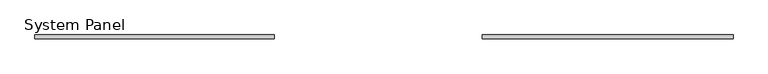
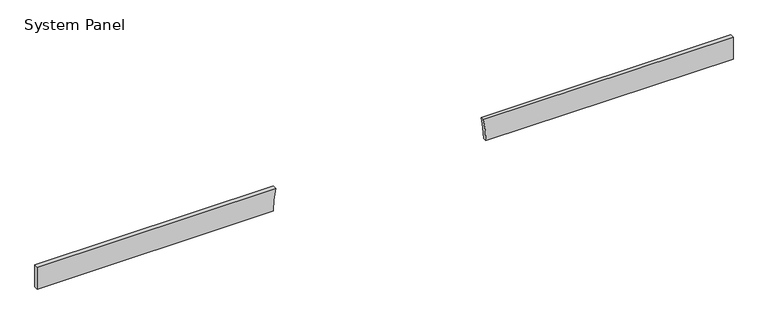
"""IFC4 building model written with IfcOpenShell, lengths in millimetres: plate geometry, System Panel."""

import ifcopenshell
import ifcopenshell.guid

model = None  # the IFC model being written
_history = None  # IfcOwnerHistory: only IFC2X3 demands one
_inside = {}  # id of a spatial element -> (the spatial element, [elements in it])
_under = {}  # id of a project, library or spatial element -> (it, [spatial elements below it])
_declared = {}  # id of a project -> (the project, [libraries it declares])
_typed = {}  # id of a type object -> (the type object, [elements of that type])
_made_of = {}  # id of a material, layer set ... -> (it, [elements and type objects made of it])


def new_model(schema):
    """Start an empty IFC model of exactly this schema.

    Asked for "IFC4X3", IfcOpenShell would pick the latest addendum, in which some entities
    have other attributes; the version numbers below select the first issue.
    IFC2X3 requires an IfcOwnerHistory on every rooted entity: one is made here for all.
    """
    global model, _history
    if schema == "IFC4X3":
        model = ifcopenshell.file(schema_version=(4, 3, 0, 0))
    else:
        model = ifcopenshell.file(schema=schema)
    _inside.clear()
    _under.clear()
    _declared.clear()
    _typed.clear()
    _made_of.clear()
    _history = None
    if model.schema == "IFC2X3":
        org = make("IfcOrganization", Name="unknown")
        user = make(
            "IfcPersonAndOrganization",
            ThePerson=make("IfcPerson", FamilyName="unknown"),
            TheOrganization=org,
        )
        app = make(
            "IfcApplication",
            ApplicationDeveloper=org,
            Version="unknown",
            ApplicationFullName="unknown",
            ApplicationIdentifier="unknown",
        )
        _history = make(
            "IfcOwnerHistory",
            OwningUser=user,
            OwningApplication=app,
            ChangeAction="ADDED",
            CreationDate=0,
        )
    return model


def make(cls, **values):
    """One entity of the class cls with the attributes given. An attribute that is None is left unset."""
    return model.create_entity(
        cls, **{name: value for name, value in values.items() if value is not None}
    )


def rooted(cls, **values):
    """An entity with a GlobalId (a new one), such as an element, a storey or a relation."""
    return make(cls, GlobalId=ifcopenshell.guid.new(), OwnerHistory=_history, **values)


def si_unit(unit_type, name, prefix=None):
    """IfcSIUnit, for example si_unit("LENGTHUNIT", "METRE", prefix="MILLI")."""
    return make("IfcSIUnit", UnitType=unit_type, Prefix=prefix, Name=name)


def assignment(units):
    """IfcUnitAssignment: the units of a project."""
    return None if units is None else make("IfcUnitAssignment", Units=units)


def point(xyz):
    """IfcCartesianPoint."""
    return None if xyz is None else make("IfcCartesianPoint", Coordinates=xyz)


def direction(xyz):
    """IfcDirection."""
    return None if xyz is None else make("IfcDirection", DirectionRatios=xyz)


def frame(location, z_axis=None, x_axis=None):
    """IfcAxis2Placement3D, a coordinate frame: its origin and axes. An axis left out is left unset."""
    return make(
        "IfcAxis2Placement3D",
        Location=point(location),
        Axis=direction(z_axis),
        RefDirection=direction(x_axis),
    )


def frame_2d(location, x_axis=None):
    """IfcAxis2Placement2D, a coordinate frame in the plane: its origin and x axis."""
    return make(
        "IfcAxis2Placement2D", Location=point(location), RefDirection=direction(x_axis)
    )


def origin():
    """The frame at (0, 0, 0) with its axes left unset."""
    return frame((0.0, 0.0, 0.0))


def place(relative_to, where):
    """IfcLocalPlacement: puts the frame where relative to a parent placement (None: the world)."""
    return make(
        "IfcLocalPlacement", PlacementRelTo=relative_to, RelativePlacement=where
    )


def context(
    kind, dimensions, precision=None, world=None, true_north=None, identifier=None
):
    """IfcGeometricRepresentationContext, for example the 3D "Model" context."""
    return make(
        "IfcGeometricRepresentationContext",
        ContextIdentifier=identifier,
        ContextType=kind,
        CoordinateSpaceDimension=dimensions,
        Precision=precision,
        WorldCoordinateSystem=world,
        TrueNorth=true_north,
    )


def project(units=None, contexts=None):
    """IfcProject with its units and contexts."""
    return rooted(
        "IfcProject",
        Name="project",
        RepresentationContexts=contexts,
        UnitsInContext=assignment(units),
    )


def spatial(cls, under=None, at=None, **own):
    """A site, building, storey or space (cls), placed at a placement, below another one or the project."""
    s = rooted(cls, ObjectPlacement=at, **own)
    if under is not None:
        _under.setdefault(under.id(), (under, []))[1].append(s)
    return s


def polyline(points):
    """IfcPolyline through the points."""
    return make("IfcPolyline", Points=[point(p) for p in points])


def circle_curve(where, radius):
    """IfcCircle in the frame where."""
    return make("IfcCircle", Position=where, Radius=radius)


def trimmed(basis, trim1, trim2, sense, master):
    """IfcTrimmedCurve: the piece of a basis curve between two trims."""
    return make(
        "IfcTrimmedCurve",
        BasisCurve=basis,
        Trim1=trim1,
        Trim2=trim2,
        SenseAgreement=sense,
        MasterRepresentation=master,
    )


def segment(curve, same_sense, transition):
    """IfcCompositeCurveSegment."""
    return make(
        "IfcCompositeCurveSegment",
        Transition=transition,
        SameSense=same_sense,
        ParentCurve=curve,
    )


def composite_curve(segments, self_intersect=None):
    """IfcCompositeCurve: segments joined end to end."""
    return make("IfcCompositeCurve", Segments=segments, SelfIntersect=self_intersect)


def outline(outer, holes=None, kind="AREA"):
    """IfcArbitraryClosedProfileDef: a profile drawn as a closed curve; with holes, ...WithVoids."""
    if holes is None:
        return make("IfcArbitraryClosedProfileDef", ProfileType=kind, OuterCurve=outer)
    return make(
        "IfcArbitraryProfileDefWithVoids",
        ProfileType=kind,
        OuterCurve=outer,
        InnerCurves=holes,
    )


def extrude(swept, where, along, depth):
    """IfcExtrudedAreaSolid: the profile swept, set in the frame where, extruded along a direction by depth."""
    return make(
        "IfcExtrudedAreaSolid",
        SweptArea=swept,
        Position=where,
        ExtrudedDirection=direction(along),
        Depth=depth,
    )


def shape(context_of_items, identifier, shape_type, items):
    """IfcShapeRepresentation: the items that make up one representation, for example the "Body"."""
    return make(
        "IfcShapeRepresentation",
        ContextOfItems=context_of_items,
        RepresentationIdentifier=identifier,
        RepresentationType=shape_type,
        Items=items,
    )


def source(mapping_origin, context_of_items, identifier, shape_type, items):
    """IfcRepresentationMap: a shape defined once, which mapped items show again and again."""
    return make(
        "IfcRepresentationMap",
        MappingOrigin=mapping_origin,
        MappedRepresentation=shape(context_of_items, identifier, shape_type, items),
    )


def transform(
    local_origin,
    x_axis=None,
    y_axis=None,
    z_axis=None,
    scale=None,
    scale2=None,
    scale3=None,
    uniform=True,
):
    """IfcCartesianTransformationOperator3D, or its non-uniform kind. x_axis, y_axis, z_axis: its Axis1, 2, 3."""
    if uniform:
        return make(
            "IfcCartesianTransformationOperator3D",
            Axis1=direction(x_axis),
            Axis2=direction(y_axis),
            LocalOrigin=point(local_origin),
            Scale=scale,
            Axis3=direction(z_axis),
        )
    return make(
        "IfcCartesianTransformationOperator3DnonUniform",
        Axis1=direction(x_axis),
        Axis2=direction(y_axis),
        LocalOrigin=point(local_origin),
        Scale=scale,
        Axis3=direction(z_axis),
        Scale2=scale2,
        Scale3=scale3,
    )


def mapped(mapping_source, mapping_target):
    """IfcMappedItem: shows the shape of a source again, moved by a transform."""
    return make(
        "IfcMappedItem", MappingSource=mapping_source, MappingTarget=mapping_target
    )


def made_of(thing, what):
    """Note that an element or type object is made of a material, layer set ...; save() writes the relation."""
    if what is not None:
        _made_of.setdefault(what.id(), (what, []))[1].append(thing)
    return thing


def element(
    cls,
    number,
    at=None,
    inside=None,
    cuts=None,
    type_object=None,
    material=None,
    context=None,
    identifier="Body",
    shape_type=None,
    held_by="IfcProductDefinitionShape",
    body=None,
    shapes=None,
    **own,
):
    """One element of the class cls, such as IfcWall. Its Tag is "e" and its number.

    at: its placement. inside: the storey or other place that contains it. cuts: it is an
    opening in that element (IfcRelVoidsElement). A single representation is given by context,
    identifier, shape_type and body (its items); several are given by shapes. held_by: the class
    of the entity that holds the representations. save() writes the other relations.
    """
    e = rooted(cls, Tag="e%d" % number, ObjectPlacement=at, **own)
    if body is not None:
        shapes = [shape(context, identifier, shape_type, body)]
    if shapes is not None:
        e.Representation = make(held_by, Representations=shapes)
    if inside is not None:
        _inside.setdefault(inside.id(), (inside, []))[1].append(e)
    if cuts is not None:
        rooted(
            "IfcRelVoidsElement", RelatingBuildingElement=cuts, RelatedOpeningElement=e
        )
    if type_object is not None:
        _typed.setdefault(type_object.id(), (type_object, []))[1].append(e)
    return made_of(e, material)


def aggregate(whole, parts):
    """IfcRelAggregates: a whole, such as a stair, and the parts it consists of."""
    return rooted("IfcRelAggregates", RelatingObject=whole, RelatedObjects=parts)


def save(model, path):
    """Write the relations noted so far, then the file.

    IfcRelAggregates (storeys below a building ...), IfcRelContainedInSpatialStructure (elements
    in a storey), IfcRelDefinesByType, IfcRelAssociatesMaterial and IfcRelDeclares: one each for
    every whole, place, type object, material and project.
    """
    for whole, parts in _under.values():
        aggregate(whole, parts)
    for where, things in _inside.values():
        rooted(
            "IfcRelContainedInSpatialStructure",
            RelatedElements=things,
            RelatingStructure=where,
        )
    for kind, things in _typed.values():
        rooted("IfcRelDefinesByType", RelatedObjects=things, RelatingType=kind)
    for what, things in _made_of.values():
        rooted("IfcRelAssociatesMaterial", RelatedObjects=things, RelatingMaterial=what)
    for by, libraries in _declared.values():
        rooted("IfcRelDeclares", RelatingContext=by, RelatedDefinitions=libraries)
    model.write(path)


def system_panel_07715c0b(model_context):
    return source(origin(), model_context, "Body", "SweptSolid", [
        extrude(outline(composite_curve([segment(polyline([(0.0, 651.113695), (0.0, 2250.0), (150.0, 2250.0), (150.0, 634.5517796)]), True, "CONTINUOUS"), segment(trimmed(circle_curve(frame_2d((0.0, -36.4365219)), 687.5502169), [point((150.0, 634.5517796))], [point((0.0, 651.113695))], True, "CARTESIAN"), True, "CONTINUOUS")], self_intersect=False)), frame((0.0, 24.5, 0.0), z_axis=(0.0, 1.0, 0.0), x_axis=(0.0, 0.0, 1.0)), (0.0, 0.0, 1.0), 25.0),
        extrude(outline(composite_curve([segment(polyline([(0.0, -2250.0), (0.0, -723.9867389)]), True, "CONTINUOUS"), segment(trimmed(circle_curve(frame_2d((0.0, -36.4365219)), 687.5502169), [point((0.0, -723.9867389))], [point((150.0, -707.4248235))], True, "CARTESIAN"), True, "CONTINUOUS"), segment(polyline([(150.0, -707.4248235), (150.0, -2250.0), (0.0, -2250.0)]), True, "CONTINUOUS")], self_intersect=False)), frame((0.0, 24.5, 0.0), z_axis=(0.0, 1.0, 0.0), x_axis=(0.0, 0.0, 1.0)), (0.0, 0.0, 1.0), 25.0),
    ])


if __name__ == "__main__":
    model = new_model("IFC4")
    model_context = context("Model", 3, world=origin())
    ifc_project = project(units=[si_unit("LENGTHUNIT", "METRE", prefix="MILLI")], contexts=[model_context])
    site = spatial("IfcSite", under=ifc_project)
    building = spatial("IfcBuilding", under=site)
    placement = place(None, origin())
    system_panel_shape = system_panel_07715c0b(model_context)
    element("IfcPlate", 1, ObjectType="System Panel", at=placement, inside=building, context=model_context, shape_type="MappedRepresentation", body=[
        mapped(system_panel_shape, transform((0.0, 0.0, 0.0), x_axis=(1.0, 0.0, 0.0), y_axis=(0.0, 1.0, 0.0), z_axis=(0.0, 0.0, 1.0))),
    ])
    save(model, "model.ifc")
